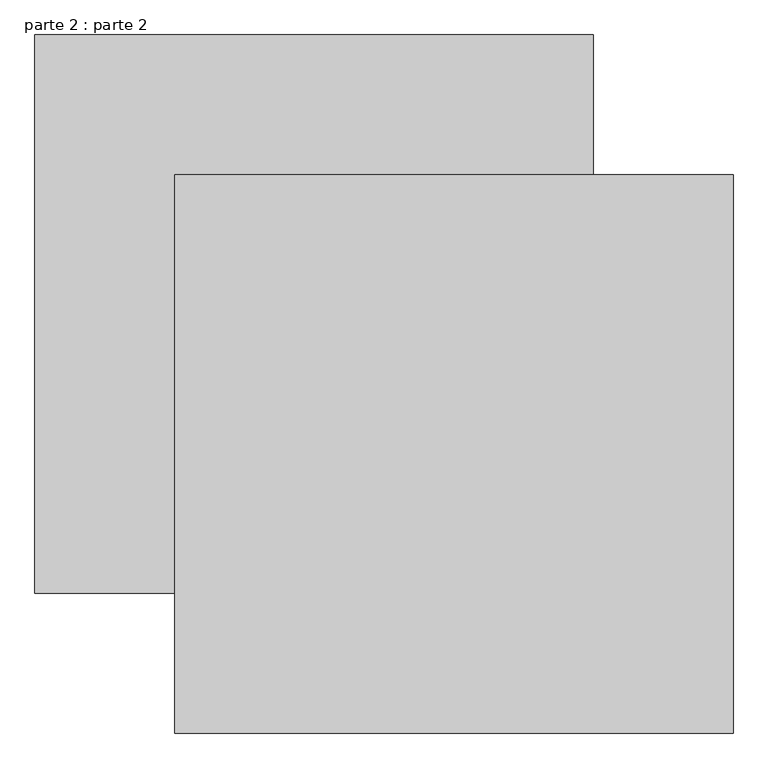
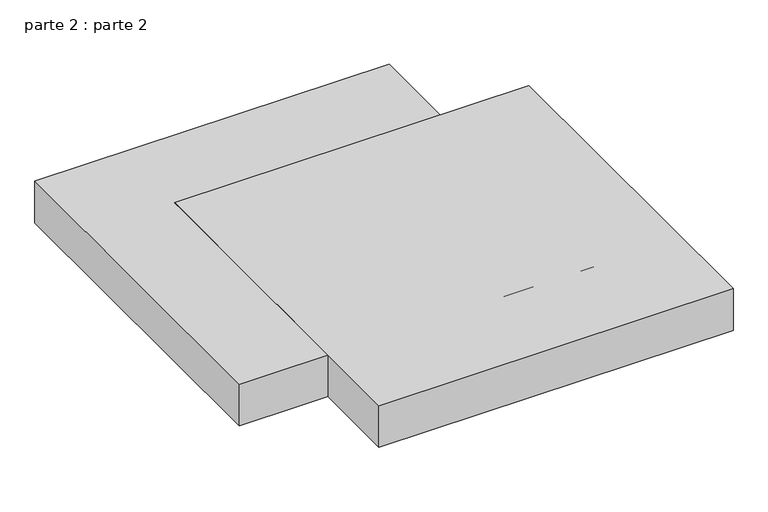
"""IFC4 building model written with IfcOpenShell, lengths in millimetres: proxy geometry, parte 2 : parte 2."""

from ifc_helpers import new_model, si_unit, frame, origin, place, context, project, spatial, polyline, outline, extrude, source, transform, mapped, element, save


def parte_2_parte_2_7e15a5bb(model_context):
    return source(origin(), model_context, "Body", "SweptSolid", [
        extrude(outline(polyline([(1000.0, 800.0), (1000.0, 0.0), (200.0, 0.0), (200.0, 800.0), (1000.0, 800.0)])), frame((0.0, 0.0, 1900.0), z_axis=(0.0, 0.0, 1.0), x_axis=(1.0, 0.0, 0.0)), (0.0, 0.0, 1.0), 100.0),
        extrude(outline(polyline([(800.0, 1000.0), (800.0, 200.0), (0.0, 200.0), (0.0, 1000.0), (800.0, 1000.0)])), frame((0.0, 0.0, 1900.0), z_axis=(0.0, 0.0, 1.0), x_axis=(1.0, 0.0, 0.0)), (0.0, 0.0, 1.0), 100.0),
    ])


if __name__ == "__main__":
    model = new_model("IFC4")
    model_context = context("Model", 3, world=origin())
    ifc_project = project(units=[si_unit("LENGTHUNIT", "METRE", prefix="MILLI")], contexts=[model_context])
    site = spatial("IfcSite", under=ifc_project)
    building = spatial("IfcBuilding", under=site)
    placement = place(None, origin())
    parte_2_parte_2_shape = parte_2_parte_2_7e15a5bb(model_context)
    element("IfcBuildingElementProxy", 1, Name="parte 2 : parte 2", ObjectType="parte 2 : parte 2", at=placement, inside=building, context=model_context, shape_type="MappedRepresentation", body=[
        mapped(parte_2_parte_2_shape, transform((0.0, 0.0, 0.0), x_axis=(1.0, 0.0, 0.0), y_axis=(0.0, 1.0, 0.0), z_axis=(0.0, 0.0, 1.0))),
    ])
    save(model, "model.ifc")
